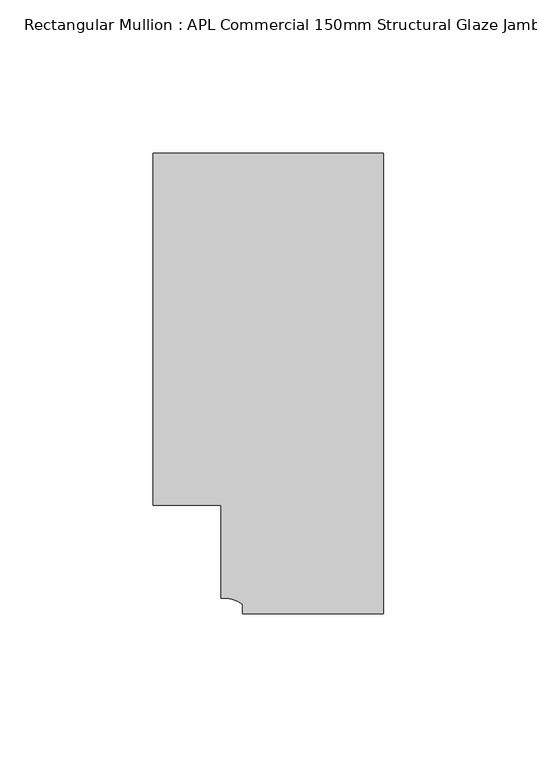
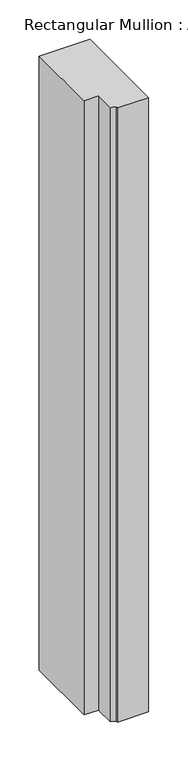
"""IFC4 building model written with IfcOpenShell, lengths in millimetres: member geometry, Rectangular Mullion : APL Commercial 150mm Structural Glaze Jamb Frame (left)."""

from ifc_helpers import new_model, si_unit, point, frame, frame_2d, origin, place, context, project, spatial, polyline, circle_curve, trimmed, segment, composite_curve, outline, extrude, source, transform, mapped, element, save


def rectangular_mullion_apl_commercial_150mm_structural_glaze_d94728d0(model_context):
    return source(origin(), model_context, "Body", "SweptSolid", [
        extrude(outline(composite_curve([segment(polyline([(0.0, -20.5), (-45.9999842, -20.5), (-45.9999842, -17.3125325)]), True, "CONTINUOUS"), segment(trimmed(circle_curve(frame_2d((-52.1098019, -25.7981812)), 10.4563907), [point((-45.9999842, -17.3125325))], [point((-52.9999391, -15.3797475))], True, "CARTESIAN"), True, "CONTINUOUS"), segment(polyline([(-52.9999391, -15.3797475), (-52.9999391, 15.0000829), (-75.0, 15.0000829), (-75.0, 129.4999988), (0.0, 129.4999988), (0.0, -20.5)]), True, "CONTINUOUS")], self_intersect=False)), frame((0.0, 0.0, -956.846945), z_axis=(0.0, 0.0, 1.0), x_axis=(1.0, 0.0, 0.0)), (0.0, 0.0, 1.0), 956.846945),
    ])


if __name__ == "__main__":
    model = new_model("IFC4")
    model_context = context("Model", 3, world=origin())
    ifc_project = project(units=[si_unit("LENGTHUNIT", "METRE", prefix="MILLI")], contexts=[model_context])
    site = spatial("IfcSite", under=ifc_project)
    building = spatial("IfcBuilding", under=site)
    placement = place(None, origin())
    rectangular_mullion_apl_commercial_150mm_structural_glaze_shape = rectangular_mullion_apl_commercial_150mm_structural_glaze_d94728d0(model_context)
    element("IfcMember", 1, ObjectType="Rectangular Mullion : APL Commercial 150mm Structural Glaze Jamb Frame (left)", at=placement, inside=building, context=model_context, shape_type="MappedRepresentation", body=[
        mapped(rectangular_mullion_apl_commercial_150mm_structural_glaze_shape, transform((0.0, 0.0, 0.0), x_axis=(1.0, 0.0, 0.0), y_axis=(0.0, 1.0, 0.0), z_axis=(0.0, 0.0, 1.0))),
    ])
    save(model, "model.ifc")
